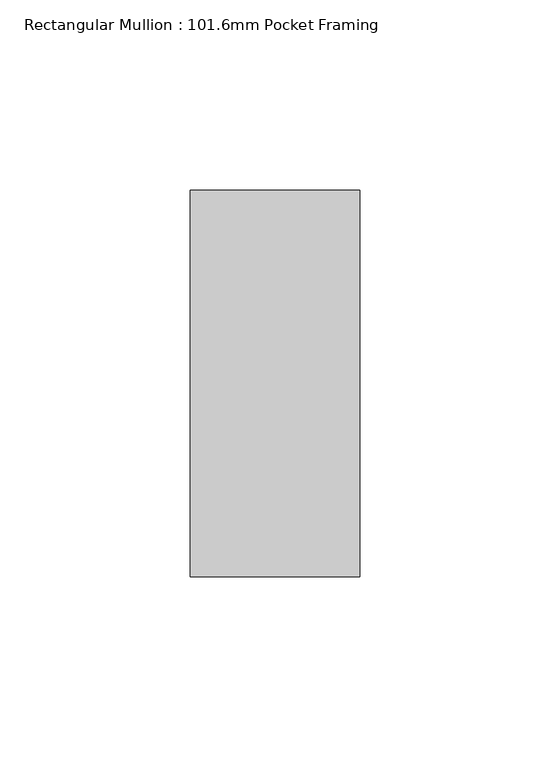
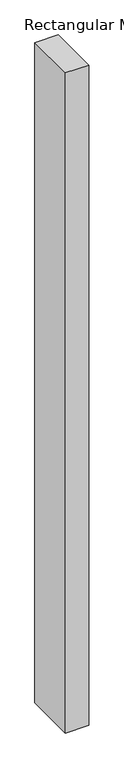
"""IFC4 building model written with IfcOpenShell, lengths in millimetres: member geometry, Rectangular Mullion : 101.6mm Pocket Framing."""

from ifc_helpers import new_model, si_unit, frame, origin, place, context, project, spatial, polyline, outline, extrude, source, transform, mapped, element, save


def rectangular_mullion_101_6mm_pocket_framing_08fb9d78(model_context):
    return source(origin(), model_context, "Body", "SweptSolid", [
        extrude(outline(polyline([(0.0, 50.8), (0.0, -50.8), (-44.5, -50.8), (-44.5, 50.8), (0.0, 50.8)])), frame((0.0, 0.0, -1340.0), z_axis=(0.0, 0.0, 1.0), x_axis=(1.0, 0.0, 0.0)), (0.0, 0.0, 1.0), 1340.0),
    ])


if __name__ == "__main__":
    model = new_model("IFC4")
    model_context = context("Model", 3, world=origin())
    ifc_project = project(units=[si_unit("LENGTHUNIT", "METRE", prefix="MILLI")], contexts=[model_context])
    site = spatial("IfcSite", under=ifc_project)
    building = spatial("IfcBuilding", under=site)
    placement = place(None, origin())
    rectangular_mullion_101_6mm_pocket_framing_shape = rectangular_mullion_101_6mm_pocket_framing_08fb9d78(model_context)
    element("IfcMember", 1, ObjectType="Rectangular Mullion : 101.6mm Pocket Framing", at=placement, inside=building, context=model_context, shape_type="MappedRepresentation", body=[
        mapped(rectangular_mullion_101_6mm_pocket_framing_shape, transform((0.0, 0.0, 0.0), x_axis=(1.0, 0.0, 0.0), y_axis=(0.0, 1.0, 0.0), z_axis=(0.0, 0.0, 1.0))),
    ])
    save(model, "model.ifc")
